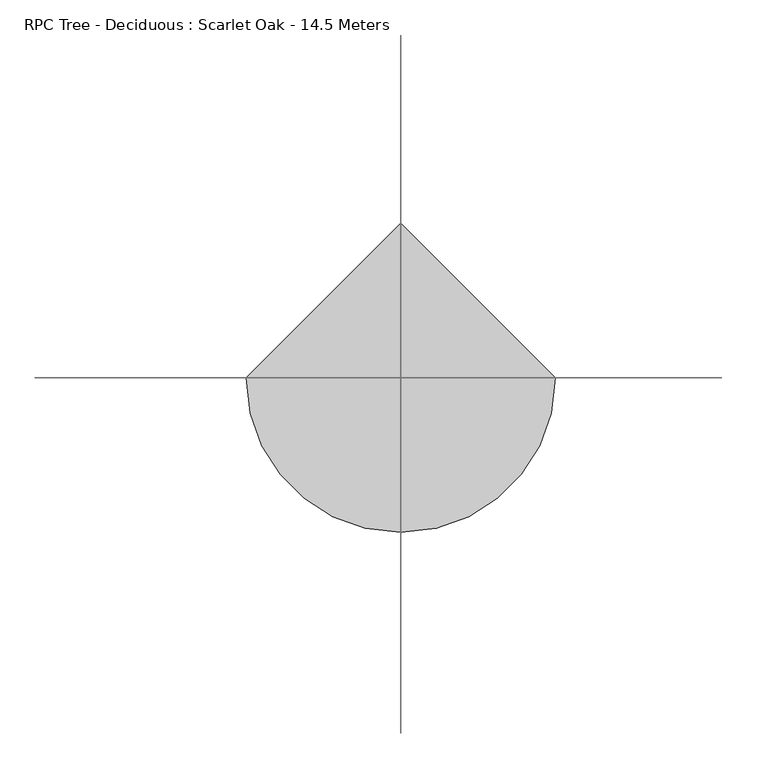
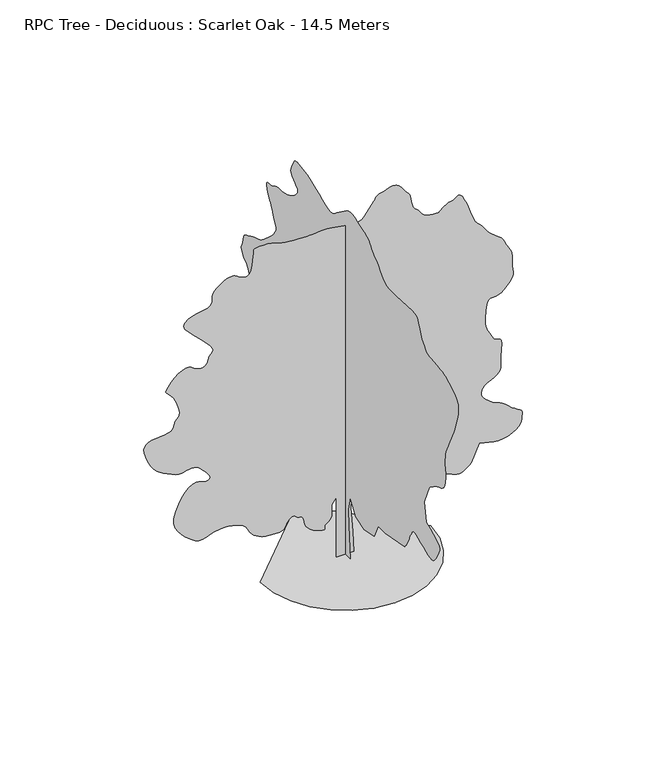
"""IFC4 building model written with IfcOpenShell, lengths in millimetres: geographic element geometry, RPC Tree - Deciduous : Scarlet Oak - 14.5 Meters."""

import ifcopenshell
import ifcopenshell.guid

model = None  # the IFC model being written
_history = None  # IfcOwnerHistory: only IFC2X3 demands one
_inside = {}  # id of a spatial element -> (the spatial element, [elements in it])
_under = {}  # id of a project, library or spatial element -> (it, [spatial elements below it])
_declared = {}  # id of a project -> (the project, [libraries it declares])
_typed = {}  # id of a type object -> (the type object, [elements of that type])
_made_of = {}  # id of a material, layer set ... -> (it, [elements and type objects made of it])


def new_model(schema):
    """Start an empty IFC model of exactly this schema.

    Asked for "IFC4X3", IfcOpenShell would pick the latest addendum, in which some entities
    have other attributes; the version numbers below select the first issue.
    IFC2X3 requires an IfcOwnerHistory on every rooted entity: one is made here for all.
    """
    global model, _history
    if schema == "IFC4X3":
        model = ifcopenshell.file(schema_version=(4, 3, 0, 0))
    else:
        model = ifcopenshell.file(schema=schema)
    _inside.clear()
    _under.clear()
    _declared.clear()
    _typed.clear()
    _made_of.clear()
    _history = None
    if model.schema == "IFC2X3":
        org = make("IfcOrganization", Name="unknown")
        user = make(
            "IfcPersonAndOrganization",
            ThePerson=make("IfcPerson", FamilyName="unknown"),
            TheOrganization=org,
        )
        app = make(
            "IfcApplication",
            ApplicationDeveloper=org,
            Version="unknown",
            ApplicationFullName="unknown",
            ApplicationIdentifier="unknown",
        )
        _history = make(
            "IfcOwnerHistory",
            OwningUser=user,
            OwningApplication=app,
            ChangeAction="ADDED",
            CreationDate=0,
        )
    return model


def make(cls, **values):
    """One entity of the class cls with the attributes given. An attribute that is None is left unset."""
    return model.create_entity(
        cls, **{name: value for name, value in values.items() if value is not None}
    )


def rooted(cls, **values):
    """An entity with a GlobalId (a new one), such as an element, a storey or a relation."""
    return make(cls, GlobalId=ifcopenshell.guid.new(), OwnerHistory=_history, **values)


def si_unit(unit_type, name, prefix=None):
    """IfcSIUnit, for example si_unit("LENGTHUNIT", "METRE", prefix="MILLI")."""
    return make("IfcSIUnit", UnitType=unit_type, Prefix=prefix, Name=name)


def assignment(units):
    """IfcUnitAssignment: the units of a project."""
    return None if units is None else make("IfcUnitAssignment", Units=units)


def point(xyz):
    """IfcCartesianPoint."""
    return None if xyz is None else make("IfcCartesianPoint", Coordinates=xyz)


def direction(xyz):
    """IfcDirection."""
    return None if xyz is None else make("IfcDirection", DirectionRatios=xyz)


def frame(location, z_axis=None, x_axis=None):
    """IfcAxis2Placement3D, a coordinate frame: its origin and axes. An axis left out is left unset."""
    return make(
        "IfcAxis2Placement3D",
        Location=point(location),
        Axis=direction(z_axis),
        RefDirection=direction(x_axis),
    )


def origin():
    """The frame at (0, 0, 0) with its axes left unset."""
    return frame((0.0, 0.0, 0.0))


def place(relative_to, where):
    """IfcLocalPlacement: puts the frame where relative to a parent placement (None: the world)."""
    return make(
        "IfcLocalPlacement", PlacementRelTo=relative_to, RelativePlacement=where
    )


def context(
    kind, dimensions, precision=None, world=None, true_north=None, identifier=None
):
    """IfcGeometricRepresentationContext, for example the 3D "Model" context."""
    return make(
        "IfcGeometricRepresentationContext",
        ContextIdentifier=identifier,
        ContextType=kind,
        CoordinateSpaceDimension=dimensions,
        Precision=precision,
        WorldCoordinateSystem=world,
        TrueNorth=true_north,
    )


def project(units=None, contexts=None):
    """IfcProject with its units and contexts."""
    return rooted(
        "IfcProject",
        Name="project",
        RepresentationContexts=contexts,
        UnitsInContext=assignment(units),
    )


def spatial(cls, under=None, at=None, **own):
    """A site, building, storey or space (cls), placed at a placement, below another one or the project."""
    s = rooted(cls, ObjectPlacement=at, **own)
    if under is not None:
        _under.setdefault(under.id(), (under, []))[1].append(s)
    return s


def point_list(points):
    """IfcCartesianPointList2D or 3D."""
    cls = (
        "IfcCartesianPointList2D" if len(points[0]) == 2 else "IfcCartesianPointList3D"
    )
    return make(cls, CoordList=points)


def triangles(points, corners, closed=None, point_numbers=None):
    """IfcTriangulatedFaceSet: each triangle names its three corners, points numbered from 1."""
    return make(
        "IfcTriangulatedFaceSet",
        Coordinates=point_list(points),
        Closed=closed,
        CoordIndex=corners,
        PnIndex=point_numbers,
    )


def shape(context_of_items, identifier, shape_type, items):
    """IfcShapeRepresentation: the items that make up one representation, for example the "Body"."""
    return make(
        "IfcShapeRepresentation",
        ContextOfItems=context_of_items,
        RepresentationIdentifier=identifier,
        RepresentationType=shape_type,
        Items=items,
    )


def source(mapping_origin, context_of_items, identifier, shape_type, items):
    """IfcRepresentationMap: a shape defined once, which mapped items show again and again."""
    return make(
        "IfcRepresentationMap",
        MappingOrigin=mapping_origin,
        MappedRepresentation=shape(context_of_items, identifier, shape_type, items),
    )


def transform(
    local_origin,
    x_axis=None,
    y_axis=None,
    z_axis=None,
    scale=None,
    scale2=None,
    scale3=None,
    uniform=True,
):
    """IfcCartesianTransformationOperator3D, or its non-uniform kind. x_axis, y_axis, z_axis: its Axis1, 2, 3."""
    if uniform:
        return make(
            "IfcCartesianTransformationOperator3D",
            Axis1=direction(x_axis),
            Axis2=direction(y_axis),
            LocalOrigin=point(local_origin),
            Scale=scale,
            Axis3=direction(z_axis),
        )
    return make(
        "IfcCartesianTransformationOperator3DnonUniform",
        Axis1=direction(x_axis),
        Axis2=direction(y_axis),
        LocalOrigin=point(local_origin),
        Scale=scale,
        Axis3=direction(z_axis),
        Scale2=scale2,
        Scale3=scale3,
    )


def mapped(mapping_source, mapping_target):
    """IfcMappedItem: shows the shape of a source again, moved by a transform."""
    return make(
        "IfcMappedItem", MappingSource=mapping_source, MappingTarget=mapping_target
    )


def made_of(thing, what):
    """Note that an element or type object is made of a material, layer set ...; save() writes the relation."""
    if what is not None:
        _made_of.setdefault(what.id(), (what, []))[1].append(thing)
    return thing


def element(
    cls,
    number,
    at=None,
    inside=None,
    cuts=None,
    type_object=None,
    material=None,
    context=None,
    identifier="Body",
    shape_type=None,
    held_by="IfcProductDefinitionShape",
    body=None,
    shapes=None,
    **own,
):
    """One element of the class cls, such as IfcWall. Its Tag is "e" and its number.

    at: its placement. inside: the storey or other place that contains it. cuts: it is an
    opening in that element (IfcRelVoidsElement). A single representation is given by context,
    identifier, shape_type and body (its items); several are given by shapes. held_by: the class
    of the entity that holds the representations. save() writes the other relations.
    """
    e = rooted(cls, Tag="e%d" % number, ObjectPlacement=at, **own)
    if body is not None:
        shapes = [shape(context, identifier, shape_type, body)]
    if shapes is not None:
        e.Representation = make(held_by, Representations=shapes)
    if inside is not None:
        _inside.setdefault(inside.id(), (inside, []))[1].append(e)
    if cuts is not None:
        rooted(
            "IfcRelVoidsElement", RelatingBuildingElement=cuts, RelatedOpeningElement=e
        )
    if type_object is not None:
        _typed.setdefault(type_object.id(), (type_object, []))[1].append(e)
    return made_of(e, material)


def aggregate(whole, parts):
    """IfcRelAggregates: a whole, such as a stair, and the parts it consists of."""
    return rooted("IfcRelAggregates", RelatingObject=whole, RelatedObjects=parts)


def save(model, path):
    """Write the relations noted so far, then the file.

    IfcRelAggregates (storeys below a building ...), IfcRelContainedInSpatialStructure (elements
    in a storey), IfcRelDefinesByType, IfcRelAssociatesMaterial and IfcRelDeclares: one each for
    every whole, place, type object, material and project.
    """
    for whole, parts in _under.values():
        aggregate(whole, parts)
    for where, things in _inside.values():
        rooted(
            "IfcRelContainedInSpatialStructure",
            RelatedElements=things,
            RelatingStructure=where,
        )
    for kind, things in _typed.values():
        rooted("IfcRelDefinesByType", RelatedObjects=things, RelatingType=kind)
    for what, things in _made_of.values():
        rooted("IfcRelAssociatesMaterial", RelatedObjects=things, RelatingMaterial=what)
    for by, libraries in _declared.values():
        rooted("IfcRelDeclares", RelatingContext=by, RelatedDefinitions=libraries)
    model.write(path)


def rpc_tree_deciduous_scarlet_oak_14_5_meters_e42c99d2(model_context):
    return source(origin(), model_context, "Body", "Tessellation", [
        triangles([(0.0200105, 354.9687037, 0.0), (0.0200105, -340.5353914, 0.0), (0.0200105, -228.3575911, 1323.6991447), (0.0200105, -205.9214606, 1951.8942307), (0.0200105, -340.5353914, 2535.2205437), (0.0200105, -699.5060675, 1951.8942307), (0.0200105, -1282.8295464, 1772.4104187), (0.0200105, -1955.896312, 1929.4598442), (0.0200105, -2225.1236286, 2490.348864), (0.0200105, -2696.2720505, 2490.348864), (0.0200105, -3997.533902, 2737.1416489), (0.0200105, -4045.4129562, 2794.8982979), (0.0200105, -4092.1319069, 2853.0462021), (0.0200105, -4136.472805, 2911.9769073), (0.0200105, -4177.2758377, 2972.0938774), (0.0200105, -4213.3809013, 3033.7770309), (0.0200105, -4243.5988243, 3097.4318665), (0.0200105, -4266.7700844, 3163.4069092), (0.0200105, -4289.2739433, 3231.3829926), (0.0200105, -4317.6649429, 3300.5188889), (0.0200105, -4350.9568062, 3370.6410622), (0.0200105, -4388.1638374, 3441.5460365), (0.0200105, -4428.3288277, 3513.0309174), (0.0200105, -4470.4370132, 3584.9218781), (0.0200105, -4513.5599625, 3656.986956), (0.0200105, -4534.0918488, 3680.2739067), (0.0200105, -4562.4828484, 3699.0660736), (0.0200105, -4606.5630066, 3708.8099556), (0.0200105, -4674.1908554, 3705.0110596), (0.0200105, -4773.2257988, 3683.1740204), (0.0200105, -4911.4978821, 3638.7459183), (0.0200105, -5096.8662186, 3567.2610374), (0.0200105, -5292.5868301, 3483.1318703), (0.0200105, -5459.249913, 3408.050988), (0.0200105, -5600.7988312, 3348.2528938), (0.0200105, -5721.1490433, 3310.0598763), (0.0200105, -5824.2439133, 3299.7360878), (0.0200105, -5913.9698318, 3323.5450996), (0.0200105, -5994.2998123, 3387.7798416), (0.0200105, -6075.3547485, 3488.9608749), (0.0200105, -6159.1356812, 3612.1239967), (0.0200105, -6237.4361343, 3746.2780174), (0.0200105, -6301.9897522, 3880.4320381), (0.0200105, -6344.5621536, 4003.5948692), (0.0200105, -6356.9451187, 4104.8049706), (0.0200105, -6330.8449677, 4173.0130165), (0.0200105, -6267.0738602, 4224.3720909), (0.0200105, -6175.0277344, 4281.5889473), (0.0200105, -6059.4626953, 4343.736026), (0.0200105, -5925.0191574, 4409.797982), (0.0200105, -5776.481131, 4478.817897), (0.0200105, -5618.5180984, 4549.7810074), (0.0200105, -5455.8570969, 4621.7298134), (0.0200105, -5321.239151, 5384.545752), (0.0200105, -5657.754657, 6169.7786362), (0.0200105, -5668.3691254, 6184.771907), (0.0200105, -5684.8407944, 6203.0707901), (0.0200105, -5713.1158127, 6228.0686829), (0.0200105, -5759.0228943, 6263.0717789), (0.0200105, -5828.4779572, 6311.3856903), (0.0200105, -5927.3969193, 6376.4038147), (0.0200105, -6061.6090759, 6461.4608322), (0.0200105, -6207.2182114, 6538.5136871), (0.0200105, -6336.3260284, 6588.8577072), (0.0200105, -6448.9621765, 6629.8057892), (0.0200105, -6545.1260742, 6678.6126938), (0.0200105, -6624.7886536, 6752.5337631), (0.0200105, -6687.9801453, 6868.8237579), (0.0200105, -6734.6697372, 7044.7670883), (0.0200105, -6761.6977386, 7217.5780518), (0.0200105, -6769.4699387, 7328.3869858), (0.0200105, -6763.5249527, 7400.3360825), (0.0200105, -6749.3147736, 7456.5960205), (0.0200105, -6732.3791794, 7520.308992), (0.0200105, -6718.1980682, 7614.617189), (0.0200105, -6712.2530823, 7762.7197769), (0.0200105, -6714.3407455, 7926.1057343), (0.0200105, -6723.5047211, 8061.6230438), (0.0200105, -6744.0371887, 8185.3951401), (0.0200105, -6780.2576523, 8313.4588348), (0.0200105, -6836.5181717, 8461.9387253), (0.0200105, -6917.1091827, 8646.9297592), (0.0200105, -7026.3228653, 8884.4978165), (0.0200105, -7130.0270004, 9099.2428482), (0.0200105, -7199.1628967, 9228.8151718), (0.0200105, -7245.9106247, 9308.9416763), (0.0200105, -7282.4799042, 9375.3230896), (0.0200105, -7321.0211563, 9463.6857193), (0.0200105, -7373.6557343, 9609.7587799), (0.0200105, -7452.6230072, 9849.2116058), (0.0200105, -7537.7090927, 10126.2202789), (0.0200105, -7594.9550171, 10364.7743225), (0.0200105, -7615.689798, 10570.3547974), (0.0200105, -7591.2721024, 10748.472995), (0.0200105, -7513.1169891, 10904.6088135), (0.0200105, -7372.5540573, 11044.2433136), (0.0200105, -7160.9408112, 11172.9168549), (0.0200105, -6955.6207855, 11278.6801666), (0.0200105, -6820.5679825, 11351.4989777), (0.0200105, -6727.1010132, 11399.5518585), (0.0200105, -6646.5681381, 11431.161557), (0.0200105, -6550.3461044, 11454.5066437), (0.0200105, -6409.7831726, 11477.8517303), (0.0200105, -6196.2270218, 11509.4614288), (0.0200105, -5967.1561203, 11534.372699), (0.0200105, -5789.5018478, 11544.001181), (0.0200105, -5648.7360214, 11555.9492889), (0.0200105, -5530.357782, 11587.9357086), (0.0200105, -5419.8098785, 11657.5942474), (0.0200105, -5302.5920334, 11782.6133606), (0.0200105, -5164.1749008, 11980.595462), (0.0200105, -5043.3032089, 12198.2693848), (0.0200105, -4971.8761734, 12373.1982422), (0.0200105, -4925.1860001, 12509.2364502), (0.0200105, -4878.4667587, 12610.3593475), (0.0200105, -4807.0400139, 12680.4818115), (0.0200105, -4686.1680313, 12723.5175568), (0.0200105, -4491.1139488, 12743.4116913), (0.0200105, -3414.1988686, 12676.103009), (0.0200105, -3215.6938339, 12679.5830292), (0.0200105, -3054.0769547, 12679.119104), (0.0200105, -2916.7620804, 12687.2965118), (0.0200105, -2791.2441605, 12716.6447205), (0.0200105, -2664.9376259, 12779.7780762), (0.0200105, -2525.2880104, 12889.1946533), (0.0200105, -2359.7357609, 13057.5111237), (0.0200105, -2200.2039288, 13227.5088867), (0.0200105, -2080.6977058, 13343.334375), (0.0200105, -1991.8069107, 13419.5471649), (0.0200105, -1924.1065372, 13470.6452087), (0.0200105, -1868.1829159, 13511.1287842), (0.0200105, -1814.6111858, 13555.5283997), (0.0200105, -1753.9779682, 13618.4001434), (0.0200105, -1695.763353, 13692.639798), (0.0200105, -1648.1424225, 13761.7762756), (0.0200105, -1599.7414524, 13826.2142029), (0.0200105, -1539.172039, 13886.3023956), (0.0200105, -1455.0546444, 13942.5036163), (0.0200105, -1336.0068237, 13995.1678436), (0.0200105, -1170.6516552, 14044.670636), (0.0200105, -985.0198174, 14099.219632), (0.0200105, -811.9449165, 14159.6554779), (0.0200105, -650.2496264, 14215.3939362), (0.0200105, -498.7622887, 14255.8193756), (0.0200105, -356.2997998, 14270.3487213), (0.0200105, -221.6852695, 14248.3663422), (0.0200105, -93.7436603, 14179.2891632), (0.0200105, 579.3243044, 13685.7088257), (0.0200105, 652.1896969, 13619.3861298), (0.0200105, 722.7031981, 13558.9502838), (0.0200105, 799.4922609, 13510.2590698), (0.0200105, 891.1990179, 13479.2574738), (0.0200105, 1006.4507767, 13471.8044403), (0.0200105, 1153.883856, 13493.7868195), (0.0200105, 1342.134502, 13551.0902985), (0.0200105, 1555.7630322, 13636.1769653), (0.0200105, 1770.9603619, 13731.8769379), (0.0200105, 1983.8030388, 13829.5488831), (0.0200105, 2190.3670292, 13920.5223999), (0.0200105, 2386.729026, 13996.2119659), (0.0200105, 2568.959182, 14047.9483429), (0.0200105, 2733.1398582, 14067.1169403), (0.0200105, 2882.4694061, 14077.5860687), (0.0200105, 3021.1908806, 14101.3950806), (0.0200105, 3146.9930855, 14127.1469971), (0.0200105, 3257.4540756, 14143.5029755), (0.0200105, 3350.2830025, 14139.066037), (0.0200105, 3423.0730362, 14102.4392029), (0.0200105, 3473.5039696, 14022.2243317), (0.0200105, 3518.5698235, 13921.4502502), (0.0200105, 3570.3059097, 13828.5047607), (0.0200105, 3618.9099197, 13740.2578217), (0.0200105, 3654.5798355, 13653.577066), (0.0200105, 3667.4560844, 13565.3591949), (0.0200105, 3647.7648445, 13472.4137054), (0.0200105, 3585.7049698, 13371.6093933), (0.0200105, 3490.729953, 13279.2452637), (0.0200105, 3389.0559265, 13206.8903778), (0.0200105, 3296.0528824, 13144.3662872), (0.0200105, 3226.9748314, 13081.4364075), (0.0200105, 3197.1629883, 13007.9211273), (0.0200105, 3221.8710732, 12913.6129303), (0.0200105, 3316.4690781, 12788.2752319), (0.0200105, 3447.0849426, 12663.400296), (0.0200105, 3570.2480644, 12572.3116699), (0.0200105, 3686.7409538, 12507.4679535), (0.0200105, 3797.3469933, 12461.5033173), (0.0200105, 3902.8489838, 12426.8763611), (0.0200105, 4004.0590851, 12396.2235809), (0.0200105, 4101.7019623, 12362.0035767), (0.0200105, 4199.2288582, 12335.642395), (0.0200105, 4299.5108185, 12326.942926), (0.0200105, 4402.5190659, 12326.1022797), (0.0200105, 4508.2820869, 12323.2884979), (0.0200105, 4616.7998817, 12308.702179), (0.0200105, 4728.0730316, 12272.510202), (0.0200105, 4842.0718872, 12204.9689758), (0.0200105, 4959.8989975, 12144.9679871), (0.0200105, 5075.7250671, 12123.4495331), (0.0200105, 5179.4001343, 12118.4033295), (0.0200105, 5260.7161011, 12107.8772278), (0.0200105, 5309.4358017, 12069.8865234), (0.0200105, 5315.3807877, 11982.4232574), (0.0200105, 5268.3720291, 11823.5608612), (0.0200105, 5198.8878983, 11656.3757172), (0.0200105, 5141.2071167, 11543.7395691), (0.0200105, 5090.572998, 11463.2654114), (0.0200105, 5042.3172226, 11392.6208862), (0.0200105, 4991.6831039, 11309.4201508), (0.0200105, 4933.972673, 11191.3029419), (0.0200105, 4864.5179008, 11015.882254), (0.0200105, 4791.1188927, 10843.3323212), (0.0200105, 4727.9570503, 10734.3494385), (0.0200105, 4679.6719162, 10667.3593414), (0.0200105, 4651.019886, 10620.7854401), (0.0200105, 4646.6989288, 10573.0523071), (0.0200105, 4671.4360817, 10502.524054), (0.0200105, 4729.899955, 10387.6833893), (0.0200105, 4833.9808113, 10235.4624481), (0.0200105, 4980.0250946, 10073.8455688), (0.0200105, 5149.6461365, 9912.6054108), (0.0200105, 5324.3418686, 9761.5739319), (0.0200105, 5485.7267853, 9630.5516968), (0.0200105, 5615.2991089, 9529.3706635), (0.0200105, 5694.643103, 9467.8040726), (0.0200105, 5765.0841522, 9429.2918884), (0.0200105, 5870.8468826, 9390.3739151), (0.0200105, 5997.8089005, 9350.67285), (0.0200105, 6131.8466492, 9309.7829041), (0.0200105, 6258.808667, 9267.3267746), (0.0200105, 6364.5719788, 9222.9277405), (0.0200105, 6435.013028, 9176.1509445), (0.0200105, 6493.9989624, 9137.2911072), (0.0200105, 6569.1089127, 9109.8276672), (0.0200105, 6651.6428284, 9083.1479004), (0.0200105, 6733.0169312, 9046.6367569), (0.0200105, 6804.5887253, 8989.7390671), (0.0200105, 6857.6878098, 8901.8107132), (0.0200105, 6883.7298248, 8772.2971069), (0.0200105, 6905.0448029, 8642.2027222), (0.0200105, 6941.671637, 8550.1856644), (0.0200105, 6981.430838, 8482.0938904), (0.0200105, 7012.1998901, 8423.8038437), (0.0200105, 7021.7411682, 8361.2216171), (0.0200105, 6997.9321564, 8280.1666809), (0.0200105, 6928.5927841, 8166.5451279), (0.0200105, 6842.5207123, 8060.1149963), (0.0200105, 6772.9208908, 7996.4886475), (0.0200105, 6714.3116776, 7955.2219803), (0.0200105, 6661.1841064, 7915.8976364), (0.0200105, 6608.085022, 7858.1296509), (0.0200105, 6549.4758087, 7761.530896), (0.0200105, 6479.8759872, 7605.6561081), (0.0200105, 6404.0120132, 7449.5197083), (0.0200105, 6334.4121918, 7351.0937393), (0.0200105, 6277.369162, 7288.3667542), (0.0200105, 6239.1761444, 7239.356955), (0.0200105, 6226.0967102, 7182.1400986), (0.0200105, 6244.3961746, 7094.6756699), (0.0200105, 6300.3950821, 6955.0411697), (0.0200105, 6374.7800766, 6802.2981674), (0.0200105, 6444.8147552, 6683.7170334), (0.0200105, 6511.7467163, 6589.4669724), (0.0200105, 6576.6776367, 6509.717189), (0.0200105, 6640.8551147, 6434.6938614), (0.0200105, 6705.4087326, 6354.5667755), (0.0200105, 6771.5291153, 6259.5342041), (0.0200105, 6848.2628036, 6165.8062042), (0.0200105, 6937.5538651, 6089.3329651), (0.0200105, 7029.976712, 6019.9360382), (0.0200105, 7116.1359879, 5947.3776764), (0.0200105, 7186.577037, 5861.5090805), (0.0200105, 7231.9039215, 5752.062854), (0.0200105, 7242.6916351, 5608.8901978), (0.0200105, 7251.768988, 5496.4569443), (0.0200105, 7285.2059006, 5459.366185), (0.0200105, 7323.3407822, 5457.5971069), (0.0200105, 7346.5701782, 5451.1300598), (0.0200105, 7335.2307541, 5399.915744), (0.0200105, 7269.7777725, 5263.9350906), (0.0200105, 7130.5199936, 5003.1382187), (0.0200105, 6984.9108582, 4710.6150856), (0.0200105, 6897.0121536, 4495.434906), (0.0200105, 6842.0567871, 4341.4448868), (0.0200105, 6795.3671951, 4232.6079254), (0.0200105, 6732.1757034, 4152.8000061), (0.0200105, 6627.7756805, 4085.9549583), (0.0200105, 6457.4587509, 4015.9778343), (0.0200105, 6260.8097076, 3959.1958351), (0.0200105, 6087.7377136, 3935.3868233), (0.0200105, 5928.7886948, 3933.5598999), (0.0200105, 5774.566713, 3942.7238754), (0.0200105, 5615.6176941, 3951.8590736), (0.0200105, 5442.5457001, 3950.0318596), (0.0200105, 5245.9257248, 3926.2228477), (0.0200105, 5049.8278107, 3904.9078697), (0.0200105, 4880.4096634, 3909.4898575), (0.0200105, 4731.4080025, 3927.4120193), (0.0200105, 4596.529026, 3946.1169823), (0.0200105, 4469.5088722, 3953.0479546), (0.0200105, 4344.0549019, 3935.6478539), (0.0200105, 4213.8738945, 3881.3598885), (0.0200105, 4089.2899292, 3823.6500389), (0.0200105, 3986.2529045, 3793.4318253), (0.0200105, 3907.1699409, 3774.2050919), (0.0200105, 3854.390023, 3749.497007), (0.0200105, 3830.2618446, 3702.7780563), (0.0200105, 3837.1349716, 3617.6338348), (0.0200105, 3877.3578072, 3477.5060509), (0.0200105, 3942.2308823, 3328.6488579), (0.0200105, 4020.0668289, 3223.3209846), (0.0200105, 4108.7198479, 3154.329847), (0.0200105, 4205.9860039, 3114.368042), (0.0200105, 4309.7189163, 3096.1848495), (0.0200105, 4417.7730766, 3092.5019348), (0.0200105, 4527.9730362, 3096.0979362), (0.0200105, 4954.2731781, 2624.963903), (0.0200105, 4987.6810226, 2571.9142342), (0.0200105, 5019.7261597, 2517.8872993), (0.0200105, 5049.0447189, 2461.8971123), (0.0200105, 5074.2170197, 2402.9603027), (0.0200105, 5093.9076782, 2340.1028023), (0.0200105, 5106.7260818, 2272.3384792), (0.0200105, 5111.3077789, 2198.6871609), (0.0200105, 5110.5246872, 2121.8951912), (0.0200105, 5105.0442078, 2045.8890747), (0.0200105, 5090.1090729, 1971.45481), (0.0200105, 5061.0800308, 1899.3724365), (0.0200105, 5013.2009766, 1830.4307144), (0.0200105, 4941.773941, 1765.4127354), (0.0200105, 4842.0718872, 1705.1042072), (0.0200105, 4746.9808891, 1653.8874207), (0.0200105, 4680.1358414, 1614.0529335), (0.0200105, 4623.0928116, 1583.2462383), (0.0200105, 4557.4078674, 1559.1096302), (0.0200105, 4464.6658539, 1539.2909271), (0.0200105, 4326.3940613, 1521.4327148), (0.0200105, 4124.1479759, 1503.183102), (0.0200105, 3894.0910881, 1505.7989307), (0.0200105, 3682.1008301, 1546.0915295), (0.0200105, 3484.2338379, 1615.036013), (0.0200105, 3296.5749435, 1703.5992119), (0.0200105, 3115.208979, 1802.7617638), (0.0200105, 2936.1629311, 1903.4932606), (0.0200105, 2755.5742447, 1996.7659103), (0.0200105, 2594.5343651, 2081.6025925), (0.0200105, 2469.9937111, 2161.729533), (0.0200105, 2371.7475277, 2235.1865318), (0.0200105, 2289.5935307, 2300.0074299), (0.0200105, 2213.3263836, 2354.231591), (0.0200105, 2132.7411861, 2395.8988152), (0.0200105, 2037.6356541, 2423.0427979), (0.0200105, 1933.0442184, 2445.9352959), (0.0200105, 1830.0246346, 2474.3233887), (0.0200105, 1727.3965965, 2505.4607323), (0.0200105, 1623.9854668, 2536.5951691), (0.0200105, 1518.6081779, 2564.9832619), (0.0200105, 1410.0931446, 2587.8757599), (0.0200105, 1297.2628223, 2602.5266098), (0.0200105, 1181.8804756, 2610.179631), (0.0200105, 1066.4952948, 2614.3006004), (0.0200105, 951.1130207, 2615.4781448), (0.0200105, 835.730674, 2614.3006004), (0.0200105, 720.3483999, 2611.3571754), (0.0200105, 604.9631827, 2607.2362061), (0.0200105, 489.5809087, 2602.5266098), (0.0200105, 265.2258712, 2265.993227), (0.0200105, 220.3541734, 1749.9760323), (325.3161896, 0.0006969, 0.0106862), (-347.7506124, 0.0006969, 0.0106862), (-347.7506124, 0.0005517, 2467.9231979), (-527.2374038, 0.0005517, 2221.1331745), (-527.2374038, 0.0005808, 1951.9058578), (-523.1165071, 0.0005808, 1889.4399033), (-523.1165071, 0.0005808, 1827.1681229), (-531.3583005, 0.0005808, 1765.2909405), (-551.9598773, 0.0006098, 1704.0022396), (-589.0479841, 0.0006098, 1643.4995373), (-646.7406109, 0.0006098, 1583.9742462), (-729.1557112, 0.0006098, 1525.6291157), (-793.715506, 0.0006098, 1465.0597023), (-811.5737183, 0.0006098, 1403.7044357), (-807.4528215, 0.0006098, 1349.0249245), (-806.0781961, 0.0006098, 1308.4683884), (-832.1782019, 0.0006098, 1289.4994881), (-910.4724054, 0.0006098, 1299.5740185), (-1065.689094, 0.0006098, 1346.1451584), (-1242.7543762, 0.0006098, 1418.6857887), (-1375.0784214, 0.0006098, 1500.6427048), (-1470.1172424, 0.0006098, 1590.4527752), (-1535.3324478, 0.0006098, 1686.53848), (-1578.177071, 0.0005808, 1787.3337811), (-1606.1070522, 0.0005808, 1891.2697334), (-1626.5809479, 0.0005808, 1996.7775375), (-1631.8126053, 0.0005808, 2025.4904652), (-1639.5961418, 0.0005808, 2053.4204464), (-1652.4808205, 0.0005808, 2079.7842442), (-1673.0215725, 0.0005808, 2103.7875755), (-1703.7615566, 0.0005808, 2124.653017), (-1747.2615177, 0.0005808, 2141.5948608), (-1806.0649052, 0.0005808, 2153.8271084), (-1864.8681473, 0.0005808, 2173.9705009), (-1911.1115456, 0.0005808, 2207.8540432), (-1951.4708553, 0.0005517, 2244.4839294), (-1992.6131115, 0.0005517, 2272.8720222), (-2041.2142147, 0.0005517, 2282.0303295), (-2103.9413452, 0.0005517, 2260.9675163), (-2187.4699677, 0.0005808, 2198.6958813), (-2260.9240597, 0.0005808, 2111.5711121), (-2302.5912838, 0.0005808, 2026.4068336), (-2332.8759178, 0.0005808, 1947.9154037), (-2372.185437, 0.0005808, 1880.8036572), (-2440.9329849, 0.0005808, 1829.7868584), (-2559.5196419, 0.0005808, 1799.5660286), (-2748.3589874, 0.0005808, 1794.8564323), (-2957.0139839, 0.0005808, 1808.7241905), (-3126.4318405, 0.0005808, 1831.6168339), (-3264.037104, 0.0005808, 1864.3229771), (-3377.3400719, 0.0005808, 1907.622805), (-3473.7650002, 0.0005808, 1962.3052231), (-3560.7358543, 0.0005808, 2029.1560844), (-3645.7928719, 0.0005808, 2108.9554287), (-3717.9160858, 0.0005808, 2196.4715984), (-3769.6809494, 0.0005517, 2284.3851276), (-3813.5579224, 0.0005517, 2370.3323524), (-3862.1619324, 0.0005517, 2451.964579), (-3928.0209938, 0.0005517, 2526.9236664), (-4023.7209663, 0.0005517, 2592.8580139), (-4161.7898643, 0.0005517, 2647.4099167), (-4300.6130768, 0.0005517, 2688.877153), (-4401.3298943, 0.0005227, 2718.181469), (-4480.8770737, 0.0005227, 2736.8893387), (-4556.1030052, 0.0005227, 2746.5695618), (-4643.8569511, 0.0005227, 2748.7938446), (-4761.0747963, 0.0005227, 2745.1312775), (-4924.6058029, 0.0005227, 2737.1503693), (-5104.4058746, 0.0005227, 2708.8291328), (-5264.2251892, 0.0005517, 2656.1736259), (-5411.4580627, 0.0005517, 2598.8088135), (-5553.587178, 0.0005517, 2556.3587883), (-5698.0940552, 0.0005517, 2548.4444458), (-5852.374173, 0.0005517, 2594.6878441), (-6023.9381195, 0.0005227, 2714.7159828), (-6203.4480927, 0.0005227, 2875.2311852), (-6369.1827438, 0.0005227, 3034.559832), (-6510.2101822, 0.0004937, 3199.8020714), (-6615.5089874, 0.0004937, 3377.9778236), (-6674.1182007, 0.0004937, 3576.1639824), (-6675.046051, 0.0004646, 3801.4359879), (-6607.2728622, 0.0004646, 4060.8410843), (-6493.8542038, 0.0004356, 4322.4788933), (-6367.4718018, 0.0004356, 4546.8518257), (-6231.694043, 0.0004065, 4729.6098564), (-6090.0288528, 0.0004065, 4866.4320282), (-5945.9859009, 0.0004065, 4953.0261612), (-5803.1318298, 0.0004065, 4985.0997849), (-5664.9757278, 0.0004065, 4958.274678), (-5534.6790298, 0.0004065, 4913.1506882), (-5419.3168854, 0.0004065, 4893.8948868), (-5328.2567459, 0.0004065, 4901.7537094), (-5270.9526855, 0.0004065, 4937.8590637), (-5256.8297104, 0.0004065, 5003.3986679), (-5295.2837585, 0.0004065, 5099.563147), (-5395.7398361, 0.0003775, 5227.5111511), (-5512.9001266, 0.0003775, 5355.8358765), (-5602.191188, 0.0003775, 5454.7257706), (-5674.1978394, 0.0003775, 5527.7189896), (-5739.5351303, 0.0003775, 5578.3531082), (-5808.8157852, 0.0003775, 5610.1372147), (-5892.5967178, 0.0003485, 5626.6379517), (-6001.5208832, 0.0003485, 5631.3359207), (-6113.2291809, 0.0003775, 5620.8086563), (-6205.7386505, 0.0003775, 5596.5357193), (-6289.9840897, 0.0003775, 5569.5367859), (-6376.9840118, 0.0003775, 5550.7449097), (-6477.70112, 0.0003775, 5551.2088348), (-6603.1550903, 0.0003775, 5581.890683), (-6764.3371124, 0.0003485, 5653.7816437), (-6935.3789978, 0.0003485, 5739.7961609), (-7086.0046875, 0.0003485, 5814.413118), (-7220.5650787, 0.0003485, 5891.0311157), (-7343.3221207, 0.0003485, 5982.9319016), (-7458.6551971, 0.0003485, 6103.4559402), (-7570.8268387, 0.0003194, 6266.0006699), (-7684.1879425, 0.0003194, 6483.9071365), (-7777.9159424, 0.0002904, 6710.020079), (-7829.651738, 0.0002904, 6891.7921234), (-7841.3678833, 0.0002904, 7034.3270279), (-7815.0067017, 0.0002613, 7142.7000641), (-7752.5407471, 0.0002613, 7222.0440582), (-7655.9419922, 0.0002613, 7277.4337006), (-7527.1236923, 0.0002613, 7314.00298), (-7375.0480911, 0.0002613, 7334.9987915), (-7214.3590622, 0.0002613, 7347.3817566), (-7055.5838699, 0.0002613, 7361.6791397), (-6909.3951187, 0.0002613, 7388.5618011), (-6786.3770462, 0.0002613, 7438.6157227), (-6697.0859848, 0.0002613, 7522.3966553), (-6652.1358215, 0.0002323, 7650.5481354), (-6618.9308716, 0.0002323, 7774.2911636), (-6567.6299332, 0.0002323, 7854.8821747), (-6513.2256958, 0.0002323, 7917.8120544), (-6470.5666718, 0.0002323, 7988.5716888), (-6454.6170639, 0.0002033, 8092.7106812), (-6480.2527084, 0.0002033, 8255.7199173), (-6562.409903, 0.0002033, 8503.0897018), (-6678.7580338, 0.0001742, 8746.748085), (-6790.0308929, 0.0001742, 8900.1288391), (-6885.5861069, 0.0001742, 8991.1308426), (-6954.8667618, 0.0001452, 9047.5646072), (-6987.2310654, 0.0001452, 9097.3290115), (-6972.1221039, 0.0001452, 9168.3206085), (-6898.9259903, 0.0001452, 9288.3516541), (-6780.9541214, 0.0001452, 9438.1366974), (-6644.5089615, 0.0001162, 9574.5818573), (-6498.6387955, 0.0001162, 9689.8277298), (-6352.3628403, 0.0001162, 9776.0451416), (-6214.7578674, 0.0001162, 9825.344458), (-6094.7849579, 0.0001162, 9829.9267365), (-6001.5208832, 0.0001162, 9781.9319916), (-5910.0840225, 0.0001162, 9710.3596161), (-5797.4478745, 0.0001162, 9654.5060486), (-5675.3867203, 0.0001162, 9621.7940918), (-5555.6748413, 0.0001162, 9619.7058472), (-5450.1150055, 0.0001162, 9655.6949295), (-5370.4518448, 0.0001162, 9737.1847229), (-5328.4602219, 0.0001162, 9871.6579102), (-5289.9771057, 0.0001162, 9999.8663635), (-5229.5406784, 8.71e-05, 10075.8756775), (-5171.8598969, 8.71e-05, 10127.1481293), (-5141.6419739, 8.71e-05, 10181.1750641), (-5163.6237717, 8.71e-05, 10265.4199219), (-5262.5136658, 8.71e-05, 10407.3752106), (-5463.0781677, 5.81e-05, 10634.4741394), (-5714.5657242, 5.81e-05, 10891.0073181), (-5939.3740952, 2.9e-05, 11107.1162201), (-6121.8129593, 2.9e-05, 11289.0911591), (-6246.1361847, 2.9e-05, 11443.1968689), (-6296.7121674, 0.0, 11575.7271515), (-6257.794194, 0.0, 11692.9444153), (-6113.6931061, 0.0, 11801.1145569), (-5921.5100693, 0.0, 11884.4606323), (-5749.3659256, 0.0, 11932.078656), (-5598.0146988, 0.0, 11957.7143005), (-5468.240062, -2.9e-05, 11975.1144012), (-5360.8239441, -2.9e-05, 11997.9955627), (-5276.5790863, -2.9e-05, 12040.1325256), (-5216.258931, -2.9e-05, 12115.2139893), (-5186.1857666, -2.9e-05, 12204.0411255), (-5181.6040695, -2.9e-05, 12281.8770721), (-5186.8240997, -2.9e-05, 12354.231958), (-5186.1857666, -2.9e-05, 12426.5868439), (-5163.9429382, -5.81e-05, 12504.4227905), (-5104.4058746, -5.81e-05, 12593.2499268), (-4991.9150665, -5.81e-05, 12698.5493134), (-4854.2228897, -5.81e-05, 12802.7452789), (-4728.3049942, -5.81e-05, 12883.8007965), (-4612.217894, -8.71e-05, 12940.4961731), (-4503.9608391, -8.71e-05, 12971.7000824), (-4401.5909248, -8.71e-05, 12976.2242249), (-4303.1358879, -8.71e-05, 12952.8500702), (-4206.6818916, -5.81e-05, 12900.4753601), (-4107.2408684, -5.81e-05, 12836.4443848), (-4004.6968369, -5.81e-05, 12786.5346405), (-3904.0960007, -5.81e-05, 12762.1163635), (-3810.5418274, -5.81e-05, 12774.6156006), (-3729.1680153, -5.81e-05, 12835.3711945), (-3665.0780319, -8.71e-05, 12955.8080292), (-3623.3468582, -8.71e-05, 13147.2661102), (-3598.4358788, -8.71e-05, 13352.8465851), (-3580.5718529, -0.0001162, 13511.7089813), (-3568.5949677, -0.0001162, 13629.391333), (-3561.3448288, -0.0001162, 13711.3444702), (-3557.6040688, -0.0001162, 13763.0808472), (-3556.2410706, -0.0001162, 13790.1082672), (-3556.0378853, -0.0001162, 13797.8810486), (-3526.5449181, -0.0001162, 13802.463327), (-3446.4178322, -0.0001162, 13812.5545715), (-3328.2140007, -0.0001162, 13822.6179108), (-3184.5189926, -0.0001162, 13827.2001892), (-3027.8608223, -0.0001162, 13820.7912781), (-2870.8055832, -0.0001162, 13797.8810486), (-2725.924601, -0.0001162, 13753.0175079), (-2593.0754425, -0.0001162, 13703.1089264), (-2459.8350288, -0.0001162, 13666.9460175), (-2320.316074, -0.0001162, 13641.7452301), (-2168.6286758, -0.0001162, 13624.8090546), (-1998.8916527, -0.0001162, 13613.3830078), (-1805.2123409, -0.0001162, 13604.6823761), (-1581.7063614, -0.0001162, 13595.9829071), (-1365.9869705, -0.0001162, 13594.7353088), (-1188.3329887, -0.0001162, 13605.2625732), (-1031.8721901, -0.0001162, 13620.1105042), (-879.7295145, -0.0001162, 13631.8272308), (-715.0297565, -0.0001162, 13632.9283264), (-520.8921879, -0.0001162, 13615.9933136), (-280.4453638, -0.0001162, 13573.5366028), (-37.3818684, -0.0001162, 13523.0478241), (158.5865047, -0.0001162, 13488.2476227), (315.3082975, -0.0001162, 13471.1091339), (440.6346957, -0.0001162, 13473.5740997), (542.4130763, -0.0001162, 13497.6726288), (628.4909254, -0.0001162, 13545.2906525), (706.7213247, -0.0001162, 13618.4001434), (1043.2547075, -0.0001452, 14044.670636), (1093.752352, -0.0001452, 14110.4142975), (1134.0449507, -0.0001452, 14172.2419189), (1170.4109722, -0.0001452, 14228.9372955), (1209.1346987, -0.0001452, 14279.3679382), (1256.4916191, -0.0001452, 14322.3455475), (1318.7633995, -0.0001452, 14356.6818237), (1402.2253109, -0.0001452, 14381.2163727), (1504.5257526, -0.0001742, 14409.346051), (1616.2453869, -0.0001742, 14446.9007355), (1733.0660179, -0.0001742, 14481.2951477), (1850.6755543, -0.0001742, 14499.9998199), (1964.7499866, -0.0001742, 14490.4585419), (2070.9740261, -0.0001742, 14440.0860352), (2165.0355812, -0.0001452, 14336.352832), (2248.5614422, -0.0001452, 14218.0333099), (2325.0256702, -0.0001452, 14125.9866028), (2392.8567043, -0.0001452, 14050.8190979), (2450.4826927, -0.0001452, 13983.1325317), (2496.3345451, -0.0001452, 13913.4751556), (2528.8436073, -0.0001162, 13832.4196381), (2546.4378822, -0.0001162, 13730.5723663), (2558.6699844, -0.0001162, 13625.0113678), (2575.6116829, -0.0001162, 13537.1132446), (2596.4772697, -0.0001162, 13463.9165497), (2620.4804558, -8.71e-05, 13402.4947174), (2646.8416374, -8.71e-05, 13349.8886261), (2674.771328, -8.71e-05, 13303.1984528), (2703.4873077, -8.71e-05, 13259.4383331), (2732.527977, -8.71e-05, 13239.7465118), (2762.7488068, -8.71e-05, 13217.3013702), (2795.3215279, -8.71e-05, 13189.3740051), (2831.4294983, -8.71e-05, 13153.2110962), (2872.2441582, -8.71e-05, 13106.0569977), (2918.9369476, -8.71e-05, 13045.1572266), (2972.7028519, -8.71e-05, 12967.7852051), (3052.3950806, -5.81e-05, 12894.2408569), (3165.030938, -5.81e-05, 12843.8974182), (3294.1390457, -5.81e-05, 12812.344693), (3423.2468628, -5.81e-05, 12795.3503815), (3535.8830109, -5.81e-05, 12788.5356812), (3615.5749489, -5.81e-05, 12787.6368988), (3645.7928719, -5.81e-05, 12788.3042999), (3661.2788452, -5.81e-05, 12804.4568024), (3703.880024, -5.81e-05, 12846.1007721), (3767.6508408, -5.81e-05, 12903.0856659), (3846.734095, -8.71e-05, 12965.1458313), (3935.2129967, -8.71e-05, 13022.1307251), (4027.2588318, -8.71e-05, 13063.8037628), (4116.9269051, -8.71e-05, 13079.9562653), (4197.3150215, -8.71e-05, 13099.6480865), (4268.2778412, -8.71e-05, 13144.0465393), (4334.1659706, -8.71e-05, 13191.2006378), (4399.2419403, -8.71e-05, 13219.1570709), (4467.8560661, -8.71e-05, 13205.8753235), (4544.3290146, -8.71e-05, 13129.4020844), (4632.9529655, -8.71e-05, 12967.7852051), (4716.4150223, -5.81e-05, 12777.8933075), (4778.6780823, -5.81e-05, 12624.511972), (4826.0350754, -5.81e-05, 12497.4046143), (4864.7498634, -2.9e-05, 12386.4218536), (4901.1159576, -2.9e-05, 12281.296875), (4941.4257065, -2.9e-05, 12171.8802979), (4991.9150665, -2.9e-05, 12047.905307), (5043.7962021, 0.0, 11939.1259003), (5088.1946548, 0.0, 11869.9894226), (5131.433876, 0.0, 11822.4586029), (5179.7768555, 0.0, 11778.4368713), (5239.4877457, 0.0, 11719.8857941), (5316.8597672, 0.0, 11628.7681), (5418.1861404, 0.0, 11487.0162872), (5542.915155, 2.9e-05, 11329.2561493), (5679.8236588, 2.9e-05, 11197.3932678), (5819.082019, 2.9e-05, 11084.3513306), (5950.8867645, 5.81e-05, 10983.1121613), (6065.4076813, 5.81e-05, 10886.5703796), (6152.87211, 5.81e-05, 10787.6519989), (6203.4480927, 5.81e-05, 10679.3365173), (6243.1491577, 5.81e-05, 10573.1104431), (6298.5388, 8.71e-05, 10477.8743958), (6360.6280334, 8.71e-05, 10382.6383484), (6420.3389236, 8.71e-05, 10276.4111115), (6468.6819031, 8.71e-05, 10148.2305634), (6496.6086868, 0.0001162, 9987.0485413), (6495.1006393, 0.0001162, 9781.9319916), (6492.0269897, 0.0001162, 9584.7899551), (6508.9631653, 0.0001452, 9441.0080338), (6527.4649429, 0.0001452, 9329.8217972), (6529.117749, 0.0001452, 9230.3807739), (6495.4198059, 0.0001452, 9121.9496017), (6407.9850266, 0.0001742, 8983.6487411), (6248.3110519, 0.0001742, 8794.7428299), (6058.8249435, 0.0001742, 8636.1420456), (5894.4529999, 0.0001742, 8572.4866287), (5755.5719421, 0.0001742, 8558.6828201), (5642.6172089, 0.0001742, 8549.6060486), (5555.9358719, 0.0002033, 8500.0736069), (5495.9639511, 0.0002033, 8365.0208038), (5463.0490997, 0.0002033, 8099.2649323), (5450.7527573, 0.0002323, 7805.1759064), (5452.6090393, 0.0002323, 7598.2030746), (5468.9359497, 0.0002613, 7452.8840378), (5500.227063, 0.0002613, 7343.6407059), (5546.8009644, 0.0002613, 7245.0118423), (5609.0640244, 0.0002613, 7131.4478439), (5687.4220322, 0.0002904, 6977.4868927), (5776.8287842, 0.0002904, 6843.5939026), (5867.0476959, 0.0002904, 6782.6941315), (5950.5681793, 0.0002904, 6757.8991333), (6019.9651062, 0.0002904, 6732.3210434), (6067.7860245, 0.0002904, 6669.0719971), (6086.5488327, 0.0003194, 6531.2350616), (6068.8301468, 0.0003194, 6281.9799271), (6044.7601044, 0.0003485, 6007.1757706), (6041.0771896, 0.0003485, 5806.1769928), (6045.2821655, 0.0003485, 5662.0759048), (6044.7601044, 0.0003775, 5558.0241165), (6026.9542145, 0.0003775, 5477.1139389), (5979.3361908, 0.0003775, 5402.4679138), (5889.3486603, 0.0003775, 5317.2370697), (5780.6279709, 0.0003775, 5237.3128784), (5684.4640732, 0.0003775, 5183.2859436), (5599.6971542, 0.0003775, 5145.3539566), (5525.1377518, 0.0004065, 5113.6861221), (5459.5981476, 0.0004065, 5078.5091995), (5401.9167847, 0.0004065, 5029.9627441), (5350.8768768, 0.0004065, 4958.274678), (5310.3351654, 0.0004065, 4875.2768372), (5287.4249359, 0.0004065, 4796.9769653), (5286.119783, 0.0004065, 4719.8659744), (5310.3351654, 0.0004356, 4640.376931), (5363.9557297, 0.0004356, 4555.0298149), (5450.9556519, 0.0004356, 4460.2289154), (5575.2498093, 0.0004356, 4352.5229897), (5706.9679321, 0.0004356, 4258.1278793), (5818.7047165, 0.0004356, 4196.2999672), (5917.8556412, 0.0004646, 4152.9450554), (6011.9318756, 0.0004646, 4113.9108101), (6108.3277359, 0.0004646, 4065.0460602), (6214.5549728, 0.0004646, 3992.2269585), (6338.0369705, 0.0004646, 3881.3598885), (6469.1458282, 0.0004646, 3766.8389717), (6590.0181015, 0.0004646, 3684.8849625), (6695.9837265, 0.0004937, 3624.100882), (6782.3168289, 0.0004937, 3573.1478874), (6844.3188583, 0.0004937, 3520.6290001), (6877.2918457, 0.0004937, 3455.1469505), (6876.508754, 0.0004937, 3365.333828), (6863.6327957, 0.0004937, 3263.3699936), (6855.8321091, 0.0005227, 3167.6700211), (6841.7666885, 0.0005227, 3076.2910057), (6810.0407181, 0.0005227, 2987.2900429), (6749.2857056, 0.0005227, 2898.6486511), (6648.1046722, 0.0005227, 2808.4468895), (6495.1006393, 0.0005227, 2714.7159828), (6312.4007446, 0.0005517, 2638.8403816), (6129.7299179, 0.0005517, 2599.4642967), (5947.0300232, 0.0005517, 2590.5032158), (5764.3301285, 0.0005517, 2605.8732079), (5581.6587204, 0.0005517, 2639.4929581), (5398.9588257, 0.0005517, 2685.2811516), (5216.258931, 0.0005227, 2737.1503693), (4902.16008, 0.0005808, 2041.6492172), (4825.1938477, 0.0005808, 1974.9290165), (4747.7930489, 0.0005808, 1911.7437744), (4669.6379356, 0.0005808, 1855.6229267), (4590.2939415, 0.0005808, 1810.0959091), (4509.3840546, 0.0005808, 1778.7004417), (4426.5019043, 0.0005808, 1764.9661057), (4341.2710602, 0.0005808, 1772.4220459), (4271.8159973, 0.0005808, 1789.3608376), (4227.8518204, 0.0005808, 1803.5563374), (4196.4740845, 0.0005808, 1817.7518372), (4164.689978, 0.0005808, 1834.6907742), (4119.5369202, 0.0005808, 1857.1280674), (4048.1098846, 0.0005808, 1887.8042473), (3937.4459999, 0.0005808, 1929.4714714), (3793.2870667, 0.0005808, 1989.9741737), (3635.7879593, 0.0005808, 2070.1011143), (3473.5618149, 0.0005808, 2162.0021908), (3315.2799065, 0.0005517, 2257.826865), (3169.5260124, 0.0005517, 2349.7279415), (3044.9998924, 0.0005517, 2429.854882), (2950.2859062, 0.0005517, 2490.3604912), (2870.086441, 0.0005517, 2543.6682838), (2784.0085556, 0.0005517, 2606.395269), (2693.0210861, 0.0005517, 2676.9755539), (2598.1129257, 0.0005227, 2753.8313278), (2500.2581429, 0.0005227, 2835.396698), (2400.4430145, 0.0005227, 2920.0970512), (2299.6477135, 0.0005227, 3006.3720177), (2277.2104202, 0.0004937, 3342.9168823), (1828.4992916, 0.0004937, 3387.7798416), (1020.8174143, 0.0004937, 3320.4708687), (482.3656878, 0.0005227, 3028.8180313), (258.0089426, 0.0005517, 2490.3604912), (213.1380986, 0.0005808, 1862.1624985), (280.444201, 0.0006388, 830.127891), (-3312.8440086, 0.0, 0.0260185), (-3225.2638893, -759.0865877, 0.0260185), (-2975.8349281, -1456.1885868, 0.0260185), (-2584.5378822, -2071.3279289, 0.0260185), (-2071.3279289, -2584.5378822, 0.0260185), (-1456.1885868, -2975.8349281, 0.0260185), (-759.0865877, -3225.2638893, 0.0260185), (0.0001448, -3312.8440086, 0.0260185), (759.0865877, -3225.2638893, 0.0260185), (1456.1885868, -2975.8349281, 0.0260185), (2071.3279289, -2584.5378822, 0.0260185), (2584.5378822, -2071.3279289, 0.0260185), (2975.8349281, -1456.1885868, 0.0260185), (3225.2638893, -759.0865877, 0.0260185), (3312.8440086, 0.0002904, 0.0260185), (-0.0004344, 3312.8440086, 0.0260185)], [[1, 2, 3], [368, 1, 3], [368, 3, 4], [367, 368, 4], [367, 4, 5], [277, 278, 279], [366, 367, 5], [276, 277, 279], [276, 279, 280], [7, 8, 9], [6, 7, 9], [5, 6, 9], [315, 316, 317], [201, 202, 203], [200, 201, 203], [200, 203, 204], [199, 200, 204], [199, 204, 205], [198, 199, 205], [198, 205, 206], [198, 206, 207], [197, 198, 207], [197, 207, 208], [275, 276, 280], [196, 197, 208], [195, 196, 208], [194, 195, 208], [194, 208, 209], [193, 194, 209], [192, 193, 209], [192, 209, 210], [191, 192, 210], [191, 210, 211], [191, 211, 212], [190, 191, 212], [190, 212, 213], [190, 213, 214], [189, 190, 214], [189, 214, 215], [188, 189, 215], [187, 188, 215], [186, 187, 215], [10, 11, 12], [314, 315, 317], [10, 12, 13], [10, 13, 14], [10, 14, 15], [10, 15, 16], [10, 16, 17], [10, 17, 18], [10, 18, 19], [10, 19, 20], [10, 20, 21], [10, 21, 22], [185, 186, 215], [185, 215, 216], [275, 280, 281], [10, 22, 23], [167, 168, 169], [166, 167, 169], [165, 166, 169], [165, 169, 170], [164, 165, 170], [164, 170, 171], [163, 164, 171], [163, 171, 172], [163, 172, 173], [163, 173, 174], [163, 174, 175], [163, 175, 176], [163, 176, 177], [163, 177, 178], [163, 178, 179], [163, 179, 180], [162, 163, 180], [161, 162, 180], [160, 161, 180], [159, 160, 180], [159, 180, 181], [158, 159, 181], [157, 158, 181], [156, 157, 181], [156, 181, 182], [155, 156, 182], [154, 155, 182], [154, 182, 183], [9, 10, 23], [9, 23, 24], [9, 24, 25], [45, 46, 47], [44, 45, 47], [44, 47, 48], [43, 44, 48], [43, 48, 49], [42, 43, 49], [42, 49, 50], [41, 42, 50], [40, 41, 50], [40, 50, 51], [39, 40, 51], [38, 39, 51], [37, 38, 51], [36, 37, 51], [35, 36, 51], [34, 35, 51], [33, 34, 51], [33, 51, 52], [32, 33, 52], [32, 52, 53], [31, 32, 53], [30, 31, 53], [29, 30, 53], [28, 29, 53], [28, 53, 54], [27, 28, 54], [26, 27, 54], [5, 9, 25], [5, 25, 26], [5, 26, 54], [5, 54, 55], [366, 5, 55], [365, 366, 55], [364, 365, 55], [363, 364, 55], [362, 363, 55], [361, 362, 55], [361, 55, 56], [153, 154, 183], [153, 183, 184], [313, 314, 317], [360, 361, 56], [184, 185, 216], [153, 184, 216], [152, 153, 216], [152, 216, 217], [243, 244, 245], [242, 243, 245], [242, 245, 246], [241, 242, 246], [241, 246, 247], [241, 247, 248], [240, 241, 248], [240, 248, 249], [240, 249, 250], [239, 240, 250], [239, 250, 251], [238, 239, 251], [237, 238, 251], [236, 237, 251], [235, 236, 251], [234, 235, 251], [233, 234, 251], [232, 233, 251], [231, 232, 251], [230, 231, 251], [229, 230, 251], [228, 229, 251], [228, 251, 252], [227, 228, 252], [226, 227, 252], [226, 252, 253], [226, 253, 254], [226, 254, 255], [226, 255, 256], [226, 256, 257], [225, 226, 257], [224, 225, 257], [223, 224, 257], [222, 223, 257], [222, 257, 258], [221, 222, 258], [220, 221, 258], [115, 116, 117], [114, 115, 117], [114, 117, 118], [113, 114, 118], [113, 118, 119], [112, 113, 119], [111, 112, 119], [110, 111, 119], [152, 217, 218], [313, 317, 318], [313, 318, 319], [313, 319, 320], [313, 320, 321], [313, 321, 322], [313, 322, 323], [313, 323, 324], [313, 324, 325], [313, 325, 326], [313, 326, 327], [313, 327, 328], [313, 328, 329], [313, 329, 330], [313, 330, 331], [313, 331, 332], [313, 332, 333], [313, 333, 334], [313, 334, 335], [313, 335, 336], [313, 336, 337], [313, 337, 338], [313, 338, 339], [313, 339, 340], [313, 340, 341], [312, 313, 341], [312, 341, 342], [312, 342, 343], [311, 312, 343], [311, 343, 344], [311, 344, 345], [310, 311, 345], [310, 345, 346], [310, 346, 347], [310, 347, 348], [309, 310, 348], [309, 348, 349], [309, 349, 350], [308, 309, 350], [308, 350, 351], [307, 308, 351], [307, 351, 352], [307, 352, 353], [307, 353, 354], [307, 354, 355], [307, 355, 356], [307, 356, 357], [307, 357, 358], [306, 307, 358], [306, 358, 359], [306, 359, 360], [306, 360, 56], [305, 306, 56], [305, 56, 57], [304, 305, 57], [303, 304, 57], [302, 303, 57], [301, 302, 57], [301, 57, 58], [301, 58, 59], [110, 119, 120], [109, 110, 120], [109, 120, 121], [301, 59, 60], [300, 301, 60], [300, 60, 61], [151, 152, 218], [109, 121, 122], [300, 61, 62], [145, 146, 147], [144, 145, 147], [143, 144, 147], [143, 147, 148], [142, 143, 148], [141, 142, 148], [140, 141, 148], [140, 148, 149], [139, 140, 149], [138, 139, 149], [137, 138, 149], [136, 137, 149], [135, 136, 149], [134, 135, 149], [133, 134, 149], [132, 133, 149], [132, 149, 150], [131, 132, 150], [130, 131, 150], [129, 130, 150], [128, 129, 150], [127, 128, 150], [126, 127, 150], [126, 150, 151], [126, 151, 218], [125, 126, 218], [124, 125, 218], [123, 124, 218], [123, 218, 219], [122, 123, 219], [109, 122, 219], [108, 109, 219], [108, 219, 220], [108, 220, 258], [108, 258, 259], [108, 259, 260], [108, 260, 261], [108, 261, 262], [107, 108, 262], [107, 262, 263], [107, 263, 264], [106, 107, 264], [106, 264, 265], [106, 265, 266], [106, 266, 267], [106, 267, 268], [105, 106, 268], [104, 105, 268], [103, 104, 268], [102, 103, 268], [101, 102, 268], [100, 101, 268], [99, 100, 268], [98, 99, 268], [97, 98, 268], [96, 97, 268], [95, 96, 268], [94, 95, 268], [93, 94, 268], [92, 93, 268], [91, 92, 268], [90, 91, 268], [89, 90, 268], [88, 89, 268], [87, 88, 268], [86, 87, 268], [85, 86, 268], [84, 85, 268], [83, 84, 268], [82, 83, 268], [81, 82, 268], [80, 81, 268], [79, 80, 268], [78, 79, 268], [77, 78, 268], [76, 77, 268], [75, 76, 268], [74, 75, 268], [73, 74, 268], [72, 73, 268], [71, 72, 268], [70, 71, 268], [69, 70, 268], [68, 69, 268], [67, 68, 268], [66, 67, 268], [65, 66, 268], [64, 65, 268], [63, 64, 268], [62, 63, 268], [300, 62, 268], [299, 300, 268], [298, 299, 268], [297, 298, 268], [296, 297, 268], [295, 296, 268], [294, 295, 268], [293, 294, 268], [292, 293, 268], [291, 292, 268], [290, 291, 268], [289, 290, 268], [288, 289, 268], [287, 288, 268], [286, 287, 268], [285, 286, 268], [284, 285, 268], [283, 284, 268], [282, 283, 268], [281, 282, 268], [275, 281, 268], [275, 268, 269], [274, 275, 269], [274, 269, 270], [274, 270, 271], [273, 274, 271], [272, 273, 271], [802, 369, 370], [802, 370, 371], [801, 802, 371], [800, 801, 371], [575, 576, 577], [799, 800, 371], [574, 575, 577], [383, 384, 385], [383, 385, 386], [382, 383, 386], [382, 386, 387], [381, 382, 387], [381, 387, 388], [794, 795, 796], [510, 511, 512], [574, 577, 578], [573, 574, 578], [572, 573, 578], [572, 578, 579], [571, 572, 579], [571, 579, 580], [570, 571, 580], [570, 580, 581], [570, 581, 582], [569, 570, 582], [569, 582, 583], [569, 583, 584], [568, 569, 584], [568, 584, 585], [509, 510, 512], [509, 512, 513], [508, 509, 513], [508, 513, 514], [508, 514, 515], [507, 508, 515], [507, 515, 516], [507, 516, 517], [507, 517, 518], [507, 518, 519], [507, 519, 520], [507, 520, 521], [507, 521, 522], [506, 507, 522], [506, 522, 523], [505, 506, 523], [505, 523, 524], [504, 505, 524], [568, 585, 586], [504, 524, 525], [538, 539, 540], [538, 540, 541], [537, 538, 541], [537, 541, 542], [536, 537, 542], [536, 542, 543], [536, 543, 544], [535, 536, 544], [535, 544, 545], [535, 545, 546], [534, 535, 546], [534, 546, 547], [533, 534, 547], [533, 547, 548], [381, 388, 389], [380, 381, 389], [380, 389, 390], [380, 390, 391], [380, 391, 392], [380, 392, 393], [379, 380, 393], [378, 379, 393], [377, 378, 393], [376, 377, 393], [375, 376, 393], [374, 375, 393], [373, 374, 393], [372, 373, 393], [372, 393, 394], [372, 394, 395], [372, 395, 396], [372, 396, 397], [372, 397, 398], [371, 372, 398], [371, 398, 399], [532, 533, 548], [371, 399, 400], [567, 568, 586], [567, 586, 587], [657, 658, 659], [657, 659, 660], [656, 657, 660], [656, 660, 661], [655, 656, 661], [655, 661, 662], [654, 655, 662], [654, 662, 663], [653, 654, 663], [652, 653, 663], [651, 652, 663], [650, 651, 663], [649, 650, 663], [649, 663, 664], [648, 649, 664], [647, 648, 664], [647, 664, 665], [647, 665, 666], [647, 666, 667], [647, 667, 668], [647, 668, 669], [793, 794, 796], [713, 714, 715], [713, 715, 716], [712, 713, 716], [712, 716, 717], [711, 712, 717], [646, 647, 669], [711, 717, 718], [567, 587, 588], [645, 646, 669], [645, 669, 670], [750, 751, 752], [749, 750, 752], [748, 749, 752], [748, 752, 753], [747, 748, 753], [747, 753, 754], [747, 754, 755], [747, 755, 756], [747, 756, 757], [747, 757, 758], [747, 758, 759], [747, 759, 760], [746, 747, 760], [746, 760, 761], [746, 761, 762], [745, 746, 762], [745, 762, 763], [745, 763, 764], [744, 745, 764], [743, 744, 764], [743, 764, 765], [742, 743, 765], [741, 742, 765], [741, 765, 766], [740, 741, 766], [739, 740, 766], [738, 739, 766], [737, 738, 766], [736, 737, 766], [735, 736, 766], [644, 645, 670], [567, 588, 589], [792, 793, 796], [371, 400, 401], [371, 401, 402], [371, 402, 403], [371, 403, 404], [371, 404, 405], [799, 371, 405], [799, 405, 406], [766, 767, 768], [488, 489, 490], [488, 490, 491], [487, 488, 491], [487, 491, 492], [486, 487, 492], [486, 492, 493], [485, 486, 493], [485, 493, 494], [485, 494, 495], [484, 485, 495], [483, 484, 495], [483, 495, 496], [482, 483, 496], [481, 482, 496], [480, 481, 496], [479, 480, 496], [479, 496, 497], [478, 479, 497], [477, 478, 497], [476, 477, 497], [475, 476, 497], [474, 475, 497], [473, 474, 497], [472, 473, 497], [471, 472, 497], [471, 497, 498], [470, 471, 498], [469, 470, 498], [469, 498, 499], [468, 469, 499], [468, 499, 500], [468, 500, 501], [468, 501, 502], [468, 502, 503], [467, 468, 503], [466, 467, 503], [466, 503, 504], [466, 504, 525], [465, 466, 525], [465, 525, 526], [464, 465, 526], [463, 464, 526], [735, 766, 768], [735, 768, 769], [735, 769, 770], [735, 770, 771], [735, 771, 772], [735, 772, 773], [735, 773, 774], [735, 774, 775], [735, 775, 776], [735, 776, 777], [735, 777, 778], [735, 778, 779], [735, 779, 780], [735, 780, 781], [735, 781, 782], [735, 782, 783], [735, 783, 784], [735, 784, 785], [735, 785, 786], [735, 786, 787], [735, 787, 788], [735, 788, 789], [735, 789, 790], [735, 790, 791], [735, 791, 792], [735, 792, 796], [734, 735, 796], [733, 734, 796], [732, 733, 796], [731, 732, 796], [731, 796, 797], [730, 731, 797], [567, 589, 590], [455, 456, 457], [454, 455, 457], [453, 454, 457], [453, 457, 458], [452, 453, 458], [451, 452, 458], [451, 458, 459], [450, 451, 459], [449, 450, 459], [448, 449, 459], [447, 448, 459], [446, 447, 459], [445, 446, 459], [444, 445, 459], [443, 444, 459], [442, 443, 459], [441, 442, 459], [440, 441, 459], [439, 440, 459], [438, 439, 459], [437, 438, 459], [437, 459, 460], [436, 437, 460], [435, 436, 460], [434, 435, 460], [434, 460, 461], [433, 434, 461], [432, 433, 461], [431, 432, 461], [430, 431, 461], [429, 430, 461], [428, 429, 461], [428, 461, 462], [427, 428, 462], [411, 412, 413], [411, 413, 414], [410, 411, 414], [410, 414, 415], [409, 410, 415], [409, 415, 416], [409, 416, 417], [408, 409, 417], [408, 417, 418], [408, 418, 419], [408, 419, 420], [408, 420, 421], [408, 421, 422], [408, 422, 423], [408, 423, 424], [408, 424, 425], [408, 425, 426], [407, 408, 426], [407, 426, 427], [407, 427, 462], [406, 407, 462], [799, 406, 462], [799, 462, 463], [799, 463, 526], [798, 799, 526], [798, 526, 527], [798, 527, 528], [798, 528, 529], [798, 529, 530], [798, 530, 531], [797, 798, 531], [730, 797, 531], [729, 730, 531], [728, 729, 531], [728, 531, 532], [728, 532, 548], [728, 548, 549], [728, 549, 550], [727, 728, 550], [726, 727, 550], [725, 726, 550], [724, 725, 550], [723, 724, 550], [722, 723, 550], [721, 722, 550], [720, 721, 550], [719, 720, 550], [718, 719, 550], [711, 718, 550], [710, 711, 550], [709, 710, 550], [708, 709, 550], [707, 708, 550], [706, 707, 550], [705, 706, 550], [704, 705, 550], [703, 704, 550], [702, 703, 550], [701, 702, 550], [701, 550, 551], [701, 551, 552], [701, 552, 553], [701, 553, 554], [701, 554, 555], [701, 555, 556], [701, 556, 557], [701, 557, 558], [701, 558, 559], [700, 701, 559], [699, 700, 559], [698, 699, 559], [697, 698, 559], [696, 697, 559], [617, 618, 619], [616, 617, 619], [615, 616, 619], [615, 619, 620], [614, 615, 620], [613, 614, 620], [613, 620, 621], [612, 613, 621], [612, 621, 622], [611, 612, 622], [610, 611, 622], [609, 610, 622], [608, 609, 622], [607, 608, 622], [606, 607, 622], [605, 606, 622], [604, 605, 622], [604, 622, 623], [604, 623, 624], [604, 624, 625], [604, 625, 626], [604, 626, 627], [604, 627, 628], [604, 628, 629], [604, 629, 630], [604, 630, 631], [604, 631, 632], [603, 604, 632], [603, 632, 633], [602, 603, 633], [602, 633, 634], [602, 634, 635], [602, 635, 636], [602, 636, 637], [602, 637, 638], [602, 638, 639], [602, 639, 640], [602, 640, 641], [601, 602, 641], [643, 644, 670], [643, 670, 671], [567, 590, 591], [566, 567, 591], [692, 693, 694], [692, 694, 695], [691, 692, 695], [691, 695, 696], [690, 691, 696], [680, 681, 682], [689, 690, 696], [679, 680, 682], [679, 682, 683], [678, 679, 683], [559, 560, 561], [559, 561, 562], [559, 562, 563], [566, 591, 592], [642, 643, 671], [642, 671, 672], [642, 672, 673], [642, 673, 674], [642, 674, 675], [642, 675, 676], [600, 601, 641], [688, 689, 696], [687, 688, 696], [686, 687, 696], [685, 686, 696], [684, 685, 696], [683, 684, 696], [678, 683, 696], [677, 678, 696], [676, 677, 696], [642, 676, 696], [641, 642, 696], [600, 641, 696], [599, 600, 696], [598, 599, 696], [597, 598, 696], [596, 597, 696], [595, 596, 696], [594, 595, 696], [593, 594, 696], [592, 593, 696], [566, 592, 696], [565, 566, 696], [564, 565, 696], [564, 696, 559], [564, 559, 563], [817, 818, 803], [816, 817, 803], [816, 803, 804], [815, 816, 804], [815, 804, 805], [815, 805, 806], [814, 815, 806], [813, 814, 806], [813, 806, 807], [813, 807, 808], [813, 808, 809], [813, 809, 810], [813, 810, 811], [813, 811, 812]], closed=False),
    ])


if __name__ == "__main__":
    model = new_model("IFC4")
    model_context = context("Model", 3, world=origin())
    ifc_project = project(units=[si_unit("LENGTHUNIT", "METRE", prefix="MILLI")], contexts=[model_context])
    site = spatial("IfcSite", under=ifc_project)
    building = spatial("IfcBuilding", under=site)
    placement = place(None, origin())
    rpc_tree_deciduous_scarlet_oak_14_5_meters_shape = rpc_tree_deciduous_scarlet_oak_14_5_meters_e42c99d2(model_context)
    element("IfcGeographicElement", 1, ObjectType="RPC Tree - Deciduous : Scarlet Oak - 14.5 Meters", at=placement, inside=building, context=model_context, shape_type="MappedRepresentation", body=[
        mapped(rpc_tree_deciduous_scarlet_oak_14_5_meters_shape, transform((0.0, 0.0, 0.0), x_axis=(1.0, 0.0, 0.0), y_axis=(0.0, 1.0, 0.0), z_axis=(0.0, 0.0, 1.0))),
    ])
    save(model, "model.ifc")
